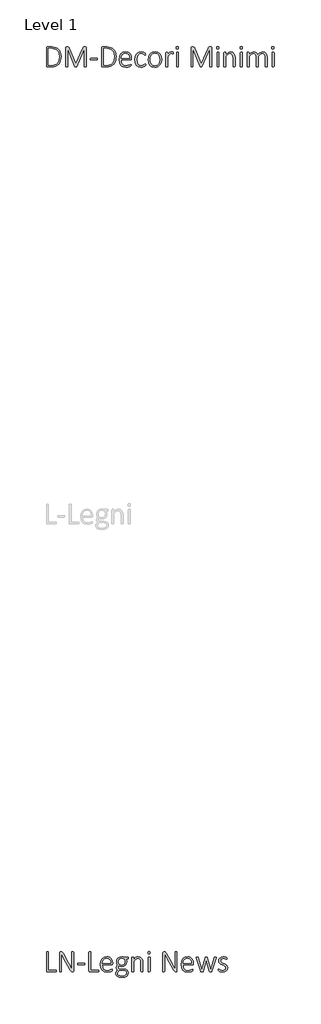
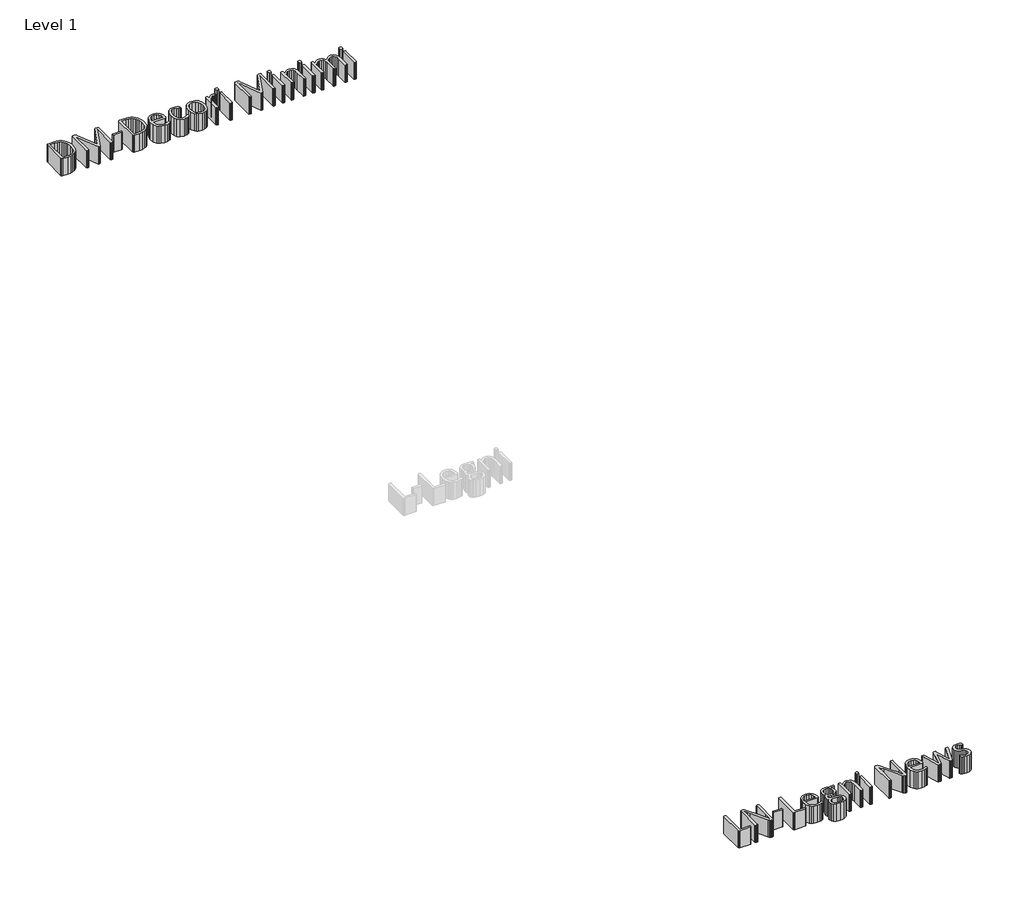
# One storey, part 2 of 4: 2 proxies.
"""IFC4 building model written with IfcOpenShell, lengths in millimetres."""

import ifcopenshell
import ifcopenshell.guid

model = None  # the IFC model being written
_history = None  # IfcOwnerHistory: only IFC2X3 demands one
_inside = {}  # id of a spatial element -> (the spatial element, [elements in it])
_under = {}  # id of a project, library or spatial element -> (it, [spatial elements below it])
_declared = {}  # id of a project -> (the project, [libraries it declares])
_typed = {}  # id of a type object -> (the type object, [elements of that type])
_made_of = {}  # id of a material, layer set ... -> (it, [elements and type objects made of it])


def new_model(schema):
    """Start an empty IFC model of exactly this schema.

    Asked for "IFC4X3", IfcOpenShell would pick the latest addendum, in which some entities
    have other attributes; the version numbers below select the first issue.
    IFC2X3 requires an IfcOwnerHistory on every rooted entity: one is made here for all.
    """
    global model, _history
    if schema == "IFC4X3":
        model = ifcopenshell.file(schema_version=(4, 3, 0, 0))
    else:
        model = ifcopenshell.file(schema=schema)
    _inside.clear()
    _under.clear()
    _declared.clear()
    _typed.clear()
    _made_of.clear()
    _history = None
    if model.schema == "IFC2X3":
        org = make("IfcOrganization", Name="unknown")
        user = make(
            "IfcPersonAndOrganization",
            ThePerson=make("IfcPerson", FamilyName="unknown"),
            TheOrganization=org,
        )
        app = make(
            "IfcApplication",
            ApplicationDeveloper=org,
            Version="unknown",
            ApplicationFullName="unknown",
            ApplicationIdentifier="unknown",
        )
        _history = make(
            "IfcOwnerHistory",
            OwningUser=user,
            OwningApplication=app,
            ChangeAction="ADDED",
            CreationDate=0,
        )
    return model


def make(cls, **values):
    """One entity of the class cls with the attributes given. An attribute that is None is left unset."""
    return model.create_entity(
        cls, **{name: value for name, value in values.items() if value is not None}
    )


def rooted(cls, **values):
    """An entity with a GlobalId (a new one), such as an element, a storey or a relation."""
    return make(cls, GlobalId=ifcopenshell.guid.new(), OwnerHistory=_history, **values)


def si_unit(unit_type, name, prefix=None):
    """IfcSIUnit, for example si_unit("LENGTHUNIT", "METRE", prefix="MILLI")."""
    return make("IfcSIUnit", UnitType=unit_type, Prefix=prefix, Name=name)


def assignment(units):
    """IfcUnitAssignment: the units of a project."""
    return None if units is None else make("IfcUnitAssignment", Units=units)


def point(xyz):
    """IfcCartesianPoint."""
    return None if xyz is None else make("IfcCartesianPoint", Coordinates=xyz)


def direction(xyz):
    """IfcDirection."""
    return None if xyz is None else make("IfcDirection", DirectionRatios=xyz)


def frame(location, z_axis=None, x_axis=None):
    """IfcAxis2Placement3D, a coordinate frame: its origin and axes. An axis left out is left unset."""
    return make(
        "IfcAxis2Placement3D",
        Location=point(location),
        Axis=direction(z_axis),
        RefDirection=direction(x_axis),
    )


def origin():
    """The frame at (0, 0, 0) with its axes left unset."""
    return frame((0.0, 0.0, 0.0))


def origin_with_axes():
    """The frame at (0, 0, 0) with the z axis (0, 0, 1) and the x axis (1, 0, 0) written out."""
    return frame((0.0, 0.0, 0.0), z_axis=(0.0, 0.0, 1.0), x_axis=(1.0, 0.0, 0.0))


def place(relative_to, where):
    """IfcLocalPlacement: puts the frame where relative to a parent placement (None: the world)."""
    return make(
        "IfcLocalPlacement", PlacementRelTo=relative_to, RelativePlacement=where
    )


def context(
    kind, dimensions, precision=None, world=None, true_north=None, identifier=None
):
    """IfcGeometricRepresentationContext, for example the 3D "Model" context."""
    return make(
        "IfcGeometricRepresentationContext",
        ContextIdentifier=identifier,
        ContextType=kind,
        CoordinateSpaceDimension=dimensions,
        Precision=precision,
        WorldCoordinateSystem=world,
        TrueNorth=true_north,
    )


def project(units=None, contexts=None):
    """IfcProject with its units and contexts."""
    return rooted(
        "IfcProject",
        Name="project",
        RepresentationContexts=contexts,
        UnitsInContext=assignment(units),
    )


def spatial(cls, under=None, at=None, **own):
    """A site, building, storey or space (cls), placed at a placement, below another one or the project."""
    s = rooted(cls, ObjectPlacement=at, **own)
    if under is not None:
        _under.setdefault(under.id(), (under, []))[1].append(s)
    return s


def polyline(points):
    """IfcPolyline through the points."""
    return make("IfcPolyline", Points=[point(p) for p in points])


def outline(outer, holes=None, kind="AREA"):
    """IfcArbitraryClosedProfileDef: a profile drawn as a closed curve; with holes, ...WithVoids."""
    if holes is None:
        return make("IfcArbitraryClosedProfileDef", ProfileType=kind, OuterCurve=outer)
    return make(
        "IfcArbitraryProfileDefWithVoids",
        ProfileType=kind,
        OuterCurve=outer,
        InnerCurves=holes,
    )


def extrude(swept, where, along, depth):
    """IfcExtrudedAreaSolid: the profile swept, set in the frame where, extruded along a direction by depth."""
    return make(
        "IfcExtrudedAreaSolid",
        SweptArea=swept,
        Position=where,
        ExtrudedDirection=direction(along),
        Depth=depth,
    )


def shape(context_of_items, identifier, shape_type, items):
    """IfcShapeRepresentation: the items that make up one representation, for example the "Body"."""
    return make(
        "IfcShapeRepresentation",
        ContextOfItems=context_of_items,
        RepresentationIdentifier=identifier,
        RepresentationType=shape_type,
        Items=items,
    )


def made_of(thing, what):
    """Note that an element or type object is made of a material, layer set ...; save() writes the relation."""
    if what is not None:
        _made_of.setdefault(what.id(), (what, []))[1].append(thing)
    return thing


def element(
    cls,
    number,
    at=None,
    inside=None,
    cuts=None,
    type_object=None,
    material=None,
    context=None,
    identifier="Body",
    shape_type=None,
    held_by="IfcProductDefinitionShape",
    body=None,
    shapes=None,
    **own,
):
    """One element of the class cls, such as IfcWall. Its Tag is "e" and its number.

    at: its placement. inside: the storey or other place that contains it. cuts: it is an
    opening in that element (IfcRelVoidsElement). A single representation is given by context,
    identifier, shape_type and body (its items); several are given by shapes. held_by: the class
    of the entity that holds the representations. save() writes the other relations.
    """
    e = rooted(cls, Tag="e%d" % number, ObjectPlacement=at, **own)
    if body is not None:
        shapes = [shape(context, identifier, shape_type, body)]
    if shapes is not None:
        e.Representation = make(held_by, Representations=shapes)
    if inside is not None:
        _inside.setdefault(inside.id(), (inside, []))[1].append(e)
    if cuts is not None:
        rooted(
            "IfcRelVoidsElement", RelatingBuildingElement=cuts, RelatedOpeningElement=e
        )
    if type_object is not None:
        _typed.setdefault(type_object.id(), (type_object, []))[1].append(e)
    return made_of(e, material)


def aggregate(whole, parts):
    """IfcRelAggregates: a whole, such as a stair, and the parts it consists of."""
    return rooted("IfcRelAggregates", RelatingObject=whole, RelatedObjects=parts)


def save(model, path):
    """Write the relations noted so far, then the file.

    IfcRelAggregates (storeys below a building ...), IfcRelContainedInSpatialStructure (elements
    in a storey), IfcRelDefinesByType, IfcRelAssociatesMaterial and IfcRelDeclares: one each for
    every whole, place, type object, material and project.
    """
    for whole, parts in _under.values():
        aggregate(whole, parts)
    for where, things in _inside.values():
        rooted(
            "IfcRelContainedInSpatialStructure",
            RelatedElements=things,
            RelatingStructure=where,
        )
    for kind, things in _typed.values():
        rooted("IfcRelDefinesByType", RelatedObjects=things, RelatingType=kind)
    for what, things in _made_of.values():
        rooted("IfcRelAssociatesMaterial", RelatedObjects=things, RelatingMaterial=what)
    for by, libraries in _declared.values():
        rooted("IfcRelDeclares", RelatingContext=by, RelatedDefinitions=libraries)
    model.write(path)


model = new_model("IFC4")

# Units and contexts
model_context = context("Model", 3, world=origin())
ifc_project = project(units=[si_unit("LENGTHUNIT", "METRE", prefix="MILLI")], contexts=[model_context])

# Site, building, storey
site = spatial("IfcSite", under=ifc_project)
building = spatial("IfcBuilding", under=site)
storey = spatial("IfcBuildingStorey", under=building, Name="Level 1", Elevation=0.0)

# Proxies
placement = place(None, origin())
element("IfcBuildingElementProxy", 1, Name="Generic Models", at=placement, inside=storey, context=model_context, shape_type="SweptSolid", body=[
    extrude(outline(polyline([(-8514.7772303, -20140.0326895), (-8516.4581985, -20165.2872361), (-8521.5011032, -20187.3879661), (-8529.8178937, -20206.2388242), (-8541.3205192, -20221.7437551), (-8555.9529475, -20233.8867494), (-8573.6591463, -20242.6517981), (-8594.7673046, -20247.958855), (-8619.6056114, -20249.7278739), (-8661.3576606, -20249.7278739), (-8667.4091463, -20247.5186014), (-8670.5149352, -20239.3538985), (-8670.5149352, -20046.9870952), (-8667.4091463, -20038.8223924), (-8661.3576606, -20036.6131198), (-8616.7879885, -20036.6131198), (-8591.8776401, -20038.4621849), (-8571.1937262, -20044.0093801), (-8554.1278963, -20052.9585348), (-8540.0717999, -20065.0134784), (-8529.0654603, -20079.9740957), (-8521.1489004, -20097.6402715), (-8516.3701478, -20117.7478534), (-8514.7772303, -20140.0326895)]), holes=[polyline([(-8535.2690335, -20140.9932428), (-8539.9437262, -20105.8690112), (-8545.8991565, -20090.8123386), (-8554.4160622, -20077.9809477), (-8565.502448, -20067.5349308), (-8579.1663184, -20059.6343801), (-8596.176116, -20054.6635169), (-8617.3002835, -20053.0065624), (-8650.0231319, -20053.0065624), (-8650.0231319, -20233.3344313), (-8617.1722098, -20233.3344313), (-8597.1286647, -20231.9736475), (-8580.4150376, -20227.8912961), (-8566.6230935, -20220.9593032), (-8555.3445971, -20211.0495952), (-8546.5715438, -20198.1621721), (-8540.295929, -20182.2970338), (-8535.2690335, -20140.9932428)])]), origin_with_axes(), (0.0, 0.0, 1.0), 150.0),
    extrude(outline(polyline([(-8244.285427, -20245.4374026), (-8244.7977221, -20247.2624538), (-8246.5587364, -20248.57521), (-8249.7285622, -20249.4076895), (-8254.7234393, -20249.7278739), (-8259.4301504, -20249.4076895), (-8262.5999762, -20248.57521), (-8264.2649352, -20247.2624538), (-8264.7772303, -20245.4374026), (-8264.7772303, -20054.1592264), (-8348.7936237, -20246.5900665), (-8351.5792282, -20248.7993391), (-8354.2687774, -20249.4717264), (-8357.9508983, -20249.7278739), (-8361.9211852, -20249.4717264), (-8364.6427528, -20248.7993391), (-8366.3397303, -20247.8067674), (-8444.9129885, -20054.1592264), (-8444.9129885, -20245.4374026), (-8445.6173942, -20247.2624538), (-8447.3784085, -20248.57521), (-8450.5482344, -20249.4076895), (-8455.6711852, -20249.7278739), (-8460.4739516, -20249.4076895), (-8463.5797405, -20248.57521), (-8465.1806626, -20247.2624538), (-8465.5969024, -20245.4374026), (-8465.5969024, -20046.9230583), (-8462.459095, -20038.8223924), (-8456.311554, -20036.6131198), (-8445.3612467, -20036.6131198), (-8438.0610417, -20037.5096362), (-8432.5218512, -20040.1351485), (-8428.455509, -20044.2975461), (-8425.4457754, -20049.8687551), (-8356.990345, -20218.413837), (-8282.9637057, -20050.5731608), (-8279.3776401, -20043.9133247), (-8275.4073532, -20039.590835), (-8270.9247713, -20037.2855071), (-8265.6737467, -20036.6131198), (-8253.5707754, -20036.6131198), (-8250.432968, -20037.0933965), (-8247.4552528, -20038.8223924), (-8245.2139618, -20042.0242366), (-8244.285427, -20046.9230583), (-8244.285427, -20245.4374026)])), origin_with_axes(), (0.0, 0.0, 1.0), 150.0),
    extrude(outline(polyline([(-8125.432968, -20167.7606608), (-8126.7457241, -20174.2283862), (-8130.1716975, -20175.9573821), (-8198.4350172, -20175.9573821), (-8201.9250274, -20174.1643493), (-8203.3018204, -20167.7606608), (-8201.9250274, -20161.3569723), (-8198.4350172, -20159.5639395), (-8130.1716975, -20159.5639395), (-8128.3146278, -20159.9801792), (-8126.7457241, -20161.3889907), (-8125.7531524, -20163.9184477), (-8125.432968, -20167.7606608)])), origin_with_axes(), (0.0, 0.0, 1.0), 150.0),
    extrude(outline(polyline([(-7924.6132958, -20140.0326895), (-7926.2942641, -20165.2872361), (-7931.3371688, -20187.3879661), (-7939.6539593, -20206.2388242), (-7951.1565848, -20221.7437551), (-7965.7890131, -20233.8867494), (-7983.4952118, -20242.6517981), (-8004.6033701, -20247.958855), (-8029.441677, -20249.7278739), (-8071.1937262, -20249.7278739), (-8077.2452118, -20247.5186014), (-8080.3510008, -20239.3538985), (-8080.3510008, -20046.9870952), (-8077.2452118, -20038.8223924), (-8071.1937262, -20036.6131198), (-8026.624054, -20036.6131198), (-8001.7137057, -20038.4621849), (-7981.0297917, -20044.0093801), (-7963.9639618, -20052.9585348), (-7949.9078655, -20065.0134784), (-7938.9015259, -20079.9740957), (-7930.9849659, -20097.6402715), (-7926.2062134, -20117.7478534), (-7924.6132958, -20140.0326895)]), holes=[polyline([(-7945.1050991, -20140.9932428), (-7949.7797917, -20105.8690112), (-7955.7352221, -20090.8123386), (-7964.2521278, -20077.9809477), (-7975.3385136, -20067.5349308), (-7989.002384, -20059.6343801), (-8006.0121816, -20054.6635169), (-8027.1363491, -20053.0065624), (-8059.8591975, -20053.0065624), (-8059.8591975, -20233.3344313), (-8027.0082754, -20233.3344313), (-8006.9647303, -20231.9736475), (-7990.2511032, -20227.8912961), (-7976.4591591, -20220.9593032), (-7965.1806626, -20211.0495952), (-7956.4076094, -20198.1621721), (-7950.1319946, -20182.2970338), (-7945.1050991, -20140.9932428)])]), origin_with_axes(), (0.0, 0.0, 1.0), 150.0),
    extrude(outline(polyline([(-7760.6788696, -20165.2632223), (-7763.816677, -20173.6520542), (-7769.9001811, -20175.9573821), (-7871.3346073, -20175.9573821), (-7868.5810213, -20201.2839702), (-7859.4877835, -20220.6871465), (-7842.9662672, -20233.1103022), (-7817.8638081, -20237.432792), (-7799.0049454, -20235.5437038), (-7784.5646278, -20231.285251), (-7774.5428553, -20227.0267981), (-7768.9396278, -20225.13771), (-7767.1145766, -20225.6179866), (-7765.769802, -20227.090835), (-7765.0333778, -20229.6523104), (-7764.7772303, -20233.5905788), (-7764.9373225, -20235.6717776), (-7765.3535622, -20237.5288473), (-7766.0899864, -20239.1938063), (-7767.4027426, -20240.76271), (-7772.5577118, -20243.7404251), (-7783.8602221, -20248.1269518), (-7800.0295356, -20252.0652202), (-7819.8489516, -20253.8262346), (-7850.6827118, -20248.5431915), (-7863.0258215, -20242.0114292), (-7873.2236954, -20232.9822284), (-7887.0876811, -20207.4635297), (-7891.8264106, -20172.115169), (-7886.9916258, -20137.5992879), (-7873.1596585, -20111.7283862), (-7851.4831729, -20095.4950358), (-7823.2429065, -20089.8918083), (-7807.7619895, -20091.3406429), (-7794.7464926, -20095.6871465), (-7775.3433163, -20111.2481096), (-7764.2008983, -20133.9491854), (-7760.6788696, -20161.1648616), (-7760.6788696, -20165.2632223)]), holes=[polyline([(-7781.1706729, -20159.5639395), (-7783.6200838, -20137.2150665), (-7791.9929065, -20120.3733657), (-7805.9049198, -20109.8072797), (-7824.9719024, -20106.285251), (-7844.5351708, -20110.7358145), (-7858.7833778, -20122.4865829), (-7867.7165233, -20139.4563575), (-7871.3346073, -20159.5639395), (-7781.1706729, -20159.5639395)])]), origin_with_axes(), (0.0, 0.0, 1.0), 150.0),
    extrude(outline(polyline([(-7609.0395254, -20226.0982633), (-7609.1996176, -20229.5562551), (-7609.6798942, -20232.2137858), (-7610.5764106, -20234.2309477), (-7613.2979782, -20237.2406813), (-7620.4380909, -20242.6197797), (-7631.6765643, -20248.3190624), (-7645.1563286, -20252.2893493), (-7660.0769229, -20253.8262346), (-7687.4206729, -20248.5431915), (-7707.3681626, -20232.9822284), (-7719.5992077, -20207.7196772), (-7723.7936237, -20173.1397592), (-7718.606636, -20135.2619415), (-7704.3904475, -20109.4870952), (-7683.3223122, -20094.6625563), (-7657.4514106, -20089.8918083), (-7643.3632958, -20091.3646567), (-7630.9721585, -20095.2388883), (-7620.8543307, -20100.7460604), (-7614.3545868, -20105.997085), (-7611.5689823, -20109.2629661), (-7610.4163184, -20111.6963678), (-7609.8399864, -20114.5780276), (-7609.6798942, -20118.2601485), (-7611.0887057, -20124.8879661), (-7614.0984393, -20126.7770542), (-7619.7657036, -20123.57521), (-7628.3786647, -20116.5311526), (-7641.0899864, -20109.4870952), (-7658.8602221, -20106.285251), (-7677.7430986, -20110.5517084), (-7691.7431626, -20123.3510809), (-7700.412156, -20144.2030916), (-7703.3018204, -20172.6274641), (-7700.1960315, -20201.0278227), (-7691.262886, -20221.3275153), (-7677.0787159, -20233.4304866), (-7658.2198532, -20237.432792), (-7640.8338389, -20234.2309477), (-7627.7382958, -20227.1868903), (-7618.4849659, -20220.1428329), (-7612.9457754, -20216.9409887), (-7611.2487979, -20217.5173206), (-7610.0320971, -20219.278335), (-7609.2956729, -20222.1599948), (-7609.0395254, -20226.0982633)])), origin_with_axes(), (0.0, 0.0, 1.0), 150.0),
    extrude(outline(polyline([(-7436.9083778, -20170.2580993), (-7441.551052, -20203.5892981), (-7455.3510008, -20230.0365317), (-7465.6449301, -20240.0342904), (-7478.2121688, -20247.5506198), (-7493.0367077, -20252.2573309), (-7510.1025376, -20253.8262346), (-7540.7762057, -20248.2230071), (-7552.8311493, -20241.4030788), (-7562.7408573, -20232.1497489), (-7575.9644741, -20206.7591239), (-7580.3510008, -20173.1397592), (-7575.8043819, -20139.776542), (-7562.1004885, -20113.4253637), (-7551.7985546, -20103.5396695), (-7539.207302, -20096.1033862), (-7524.3267308, -20091.4447028), (-7507.1568409, -20089.8918083), (-7476.4831729, -20095.4309989), (-7464.4442385, -20102.1948949), (-7454.5825581, -20111.4082018), (-7441.3589413, -20136.7668083), (-7436.9083778, -20170.2580993)]), holes=[polyline([(-7457.4001811, -20172.3072797), (-7459.8976196, -20147.2368391), (-7468.2224147, -20126.1687038), (-7483.8474147, -20111.6643493), (-7508.3095049, -20106.285251), (-7531.5869126, -20111.2160911), (-7547.6281524, -20124.952003), (-7556.8494639, -20145.6999538), (-7559.8591975, -20171.4107633), (-7557.361759, -20196.7693698), (-7549.0369639, -20217.8375051), (-7533.4119639, -20232.1497489), (-7508.9498737, -20237.432792), (-7485.6724659, -20232.5019518), (-7469.6312262, -20218.8620952), (-7460.4099147, -20198.2101997), (-7457.4001811, -20172.3072797)])]), origin_with_axes(), (0.0, 0.0, 1.0), 150.0),
    extrude(outline(polyline([(-7309.8591975, -20102.1228534), (-7310.0192897, -20105.997085), (-7310.5956217, -20108.6866342), (-7311.5561749, -20110.3195747), (-7313.0610417, -20110.8959067), (-7316.4549967, -20110.1594825), (-7320.9375786, -20108.5905788), (-7326.5408061, -20107.0216751), (-7333.2966975, -20106.285251), (-7341.8136032, -20108.3664497), (-7350.5546381, -20115.0583042), (-7360.1921893, -20127.2893493), (-7371.3346073, -20145.9240829), (-7371.3346073, -20245.5014395), (-7371.8469024, -20247.2944723), (-7373.479843, -20248.6072284), (-7376.5856319, -20249.4076895), (-7381.6445458, -20249.7278739), (-7386.575386, -20249.4076895), (-7389.7772303, -20248.6072284), (-7391.4101708, -20247.2944723), (-7391.8264106, -20245.5014395), (-7391.8264106, -20098.2166034), (-7391.4101708, -20096.4235706), (-7389.7772303, -20095.0467776), (-7386.7354782, -20094.2463165), (-7382.0287672, -20093.990169), (-7377.1939823, -20094.2463165), (-7374.2482856, -20095.0467776), (-7372.7754372, -20096.4235706), (-7372.3591975, -20098.2166034), (-7372.3591975, -20121.4619928), (-7360.8005397, -20105.3246977), (-7350.6827118, -20095.7511833), (-7341.2692897, -20091.1085092), (-7331.887886, -20089.8918083), (-7327.0531012, -20090.1159374), (-7321.1937262, -20090.9163985), (-7315.5584803, -20092.32521), (-7312.1004885, -20093.7980583), (-7310.8197508, -20094.9827407), (-7309.9552528, -20098.5367879), (-7309.8591975, -20102.1228534)])), origin_with_axes(), (0.0, 0.0, 1.0), 150.0),
    extrude(outline(polyline([(-7256.580509, -20245.5014395), (-7257.092804, -20247.2944723), (-7258.7257446, -20248.6072284), (-7261.8315335, -20249.4076895), (-7266.8904475, -20249.7278739), (-7271.8212876, -20249.4076895), (-7275.0231319, -20248.6072284), (-7276.6560725, -20247.2944723), (-7277.0723122, -20245.5014395), (-7277.0723122, -20098.2166034), (-7276.6560725, -20096.4235706), (-7275.0231319, -20095.0467776), (-7271.8212876, -20094.2463165), (-7266.8904475, -20093.990169), (-7261.8315335, -20094.2463165), (-7258.7257446, -20095.0467776), (-7257.092804, -20096.4235706), (-7256.580509, -20098.2166034), (-7256.580509, -20245.5014395)])), origin_with_axes(), (0.0, 0.0, 1.0), 150.0),
    extrude(outline(polyline([(-7256.580509, -20046.7949846), (-7259.2700581, -20058.2255686), (-7269.0036647, -20061.2032838), (-7278.577179, -20058.2896055), (-7281.1706729, -20046.9230583), (-7278.4811237, -20035.4924743), (-7268.7475172, -20032.5147592), (-7259.1740028, -20035.4284374), (-7256.580509, -20046.7949846)])), origin_with_axes(), (0.0, 0.0, 1.0), 150.0),
    extrude(outline(polyline([(-6900.0231319, -20245.4374026), (-6900.535427, -20247.2624538), (-6902.2964413, -20248.57521), (-6905.4662672, -20249.4076895), (-6910.4611442, -20249.7278739), (-6915.1678553, -20249.4076895), (-6918.3376811, -20248.57521), (-6920.0026401, -20247.2624538), (-6920.5149352, -20245.4374026), (-6920.5149352, -20054.1592264), (-7004.5313286, -20246.5900665), (-7007.3169331, -20248.7993391), (-7010.0064823, -20249.4717264), (-7013.6886032, -20249.7278739), (-7017.6588901, -20249.4717264), (-7020.3804577, -20248.7993391), (-7022.0774352, -20247.8067674), (-7100.6506934, -20054.1592264), (-7100.6506934, -20245.4374026), (-7101.3550991, -20247.2624538), (-7103.1161135, -20248.57521), (-7106.2859393, -20249.4076895), (-7111.4088901, -20249.7278739), (-7116.2116565, -20249.4076895), (-7119.3174454, -20248.57521), (-7120.9183676, -20247.2624538), (-7121.3346073, -20245.4374026), (-7121.3346073, -20046.9230583), (-7118.1967999, -20038.8223924), (-7112.049259, -20036.6131198), (-7101.0989516, -20036.6131198), (-7093.7987467, -20037.5096362), (-7088.2595561, -20040.1351485), (-7084.1932139, -20044.2975461), (-7081.1834803, -20049.8687551), (-7012.7280499, -20218.413837), (-6938.7014106, -20050.5731608), (-6935.115345, -20043.9133247), (-6931.1450581, -20039.590835), (-6926.6624762, -20037.2855071), (-6921.4114516, -20036.6131198), (-6909.3084803, -20036.6131198), (-6906.1706729, -20037.0933965), (-6903.1929577, -20038.8223924), (-6900.9516667, -20042.0242366), (-6900.0231319, -20046.9230583), (-6900.0231319, -20245.4374026)])), origin_with_axes(), (0.0, 0.0, 1.0), 150.0),
    extrude(outline(polyline([(-6822.1542794, -20046.7949846), (-6824.8438286, -20058.2255686), (-6834.5774352, -20061.2032838), (-6844.1509495, -20058.2896055), (-6846.7444434, -20046.9230583), (-6844.0548942, -20035.4924743), (-6834.3212876, -20032.5147592), (-6824.7477733, -20035.4284374), (-6822.1542794, -20046.7949846)])), origin_with_axes(), (0.0, 0.0, 1.0), 150.0),
    extrude(outline(polyline([(-6822.1542794, -20245.5014395), (-6822.6665745, -20247.2944723), (-6824.2995151, -20248.6072284), (-6827.405304, -20249.4076895), (-6832.464218, -20249.7278739), (-6837.3950581, -20249.4076895), (-6840.5969024, -20248.6072284), (-6842.229843, -20247.2944723), (-6842.6460827, -20245.5014395), (-6842.6460827, -20098.2166034), (-6842.229843, -20096.4235706), (-6840.5969024, -20095.0467776), (-6837.3950581, -20094.2463165), (-6832.464218, -20093.990169), (-6827.405304, -20094.2463165), (-6824.2995151, -20095.0467776), (-6822.6665745, -20096.4235706), (-6822.1542794, -20098.2166034), (-6822.1542794, -20245.5014395)])), origin_with_axes(), (0.0, 0.0, 1.0), 150.0),
    extrude(outline(polyline([(-6650.0231319, -20245.4374026), (-6650.535427, -20247.2304354), (-6652.1683676, -20248.57521), (-6655.2741565, -20249.4076895), (-6660.2049967, -20249.7278739), (-6665.2639106, -20249.4076895), (-6668.3696995, -20248.57521), (-6670.0026401, -20247.2304354), (-6670.5149352, -20245.4374026), (-6670.5149352, -20156.6822797), (-6672.5641155, -20134.1092776), (-6678.6796381, -20119.2527202), (-6689.1176504, -20109.6792059), (-6703.9421893, -20106.285251), (-6714.7724275, -20108.3104175), (-6725.6186749, -20114.385917), (-6748.3837876, -20138.1756198), (-6748.3837876, -20245.4374026), (-6748.8960827, -20247.2304354), (-6750.5290233, -20248.57521), (-6753.6348122, -20249.4076895), (-6758.6937262, -20249.7278739), (-6763.6245663, -20249.4076895), (-6766.8264106, -20248.6072284), (-6768.4593512, -20247.2944723), (-6768.8755909, -20245.5014395), (-6768.8755909, -20098.2166034), (-6768.4593512, -20096.4235706), (-6766.8264106, -20095.0467776), (-6763.7846585, -20094.2463165), (-6759.0779475, -20093.990169), (-6754.2431626, -20094.2463165), (-6751.2974659, -20095.0467776), (-6749.8246176, -20096.4235706), (-6749.4083778, -20098.2166034), (-6749.4083778, -20119.0285911), (-6724.9142692, -20096.7757735), (-6712.9473763, -20091.6127996), (-6701.0605294, -20089.8918083), (-6677.0787159, -20094.854667), (-6661.2936237, -20108.238376), (-6652.6486442, -20127.8656813), (-6650.0231319, -20154.9532838), (-6650.0231319, -20245.4374026)])), origin_with_axes(), (0.0, 0.0, 1.0), 150.0),
    extrude(outline(polyline([(-6572.1542794, -20046.7949846), (-6574.8438286, -20058.2255686), (-6584.5774352, -20061.2032838), (-6594.1509495, -20058.2896055), (-6596.7444434, -20046.9230583), (-6594.0548942, -20035.4924743), (-6584.3212876, -20032.5147592), (-6574.7477733, -20035.4284374), (-6572.1542794, -20046.7949846)])), origin_with_axes(), (0.0, 0.0, 1.0), 150.0),
    extrude(outline(polyline([(-6572.1542794, -20245.5014395), (-6572.6665745, -20247.2944723), (-6574.2995151, -20248.6072284), (-6577.405304, -20249.4076895), (-6582.464218, -20249.7278739), (-6587.3950581, -20249.4076895), (-6590.5969024, -20248.6072284), (-6592.229843, -20247.2944723), (-6592.6460827, -20245.5014395), (-6592.6460827, -20098.2166034), (-6592.229843, -20096.4235706), (-6590.5969024, -20095.0467776), (-6587.3950581, -20094.2463165), (-6582.464218, -20093.990169), (-6577.405304, -20094.2463165), (-6574.2995151, -20095.0467776), (-6572.6665745, -20096.4235706), (-6572.1542794, -20098.2166034), (-6572.1542794, -20245.5014395)])), origin_with_axes(), (0.0, 0.0, 1.0), 150.0),
    extrude(outline(polyline([(-6305.7608368, -20245.4374026), (-6306.2731319, -20247.2304354), (-6307.9060725, -20248.57521), (-6311.0118614, -20249.4076895), (-6315.9427016, -20249.7278739), (-6321.0016155, -20249.4076895), (-6324.2034598, -20248.57521), (-6325.8364004, -20247.2304354), (-6326.2526401, -20245.4374026), (-6326.2526401, -20153.3523616), (-6328.0776913, -20134.1092776), (-6333.7769741, -20119.2527202), (-6343.5746176, -20109.6792059), (-6357.5026401, -20106.285251), (-6367.5404219, -20108.3104175), (-6377.674259, -20114.385917), (-6400.0231319, -20138.1756198), (-6400.0231319, -20245.4374026), (-6400.535427, -20247.2304354), (-6402.200386, -20248.57521), (-6405.3381934, -20249.4076895), (-6410.2690335, -20249.7278739), (-6415.1998737, -20249.4076895), (-6418.401718, -20248.57521), (-6420.066677, -20247.2304354), (-6420.5149352, -20245.4374026), (-6420.5149352, -20153.3523616), (-6422.5000786, -20134.1092776), (-6428.5835827, -20119.2527202), (-6438.9255397, -20109.6792059), (-6453.6860417, -20106.285251), (-6464.2521278, -20108.3104175), (-6474.9462876, -20114.385917), (-6498.3837876, -20138.1756198), (-6498.3837876, -20245.4374026), (-6498.8960827, -20247.2304354), (-6500.5290233, -20248.57521), (-6503.6348122, -20249.4076895), (-6508.6937262, -20249.7278739), (-6513.6245663, -20249.4076895), (-6516.8264106, -20248.6072284), (-6518.4593512, -20247.2944723), (-6518.8755909, -20245.5014395), (-6518.8755909, -20098.2166034), (-6518.4593512, -20096.4235706), (-6516.8264106, -20095.0467776), (-6513.7846585, -20094.2463165), (-6509.0779475, -20093.990169), (-6504.2431626, -20094.2463165), (-6501.2974659, -20095.0467776), (-6499.8246176, -20096.4235706), (-6499.4083778, -20098.2166034), (-6499.4083778, -20119.0285911), (-6474.5300479, -20096.7757735), (-6462.8193025, -20091.6127996), (-6451.1886032, -20089.8918083), (-6434.1868102, -20092.2611731), (-6420.9952118, -20098.9210092), (-6411.2295868, -20109.1669108), (-6404.6978245, -20122.2944723), (-6390.4175991, -20106.9896567), (-6377.6422405, -20096.9999026), (-6365.955509, -20091.5567674), (-6354.8130909, -20089.8918083), (-6331.6637569, -20094.854667), (-6316.4870151, -20108.238376), (-6308.2582754, -20127.8656813), (-6305.7608368, -20151.6233657), (-6305.7608368, -20245.4374026)])), origin_with_axes(), (0.0, 0.0, 1.0), 150.0),
    extrude(outline(polyline([(-6231.990345, -20046.7949846), (-6234.6798942, -20058.2255686), (-6244.4135008, -20061.2032838), (-6253.9870151, -20058.2896055), (-6256.580509, -20046.9230583), (-6253.8909598, -20035.4924743), (-6244.1573532, -20032.5147592), (-6234.5838389, -20035.4284374), (-6231.990345, -20046.7949846)])), origin_with_axes(), (0.0, 0.0, 1.0), 150.0),
    extrude(outline(polyline([(-6231.990345, -20245.5014395), (-6232.5026401, -20247.2944723), (-6234.1355807, -20248.6072284), (-6237.2413696, -20249.4076895), (-6242.3002835, -20249.7278739), (-6247.2311237, -20249.4076895), (-6250.432968, -20248.6072284), (-6252.0659085, -20247.2944723), (-6252.4821483, -20245.5014395), (-6252.4821483, -20098.2166034), (-6252.0659085, -20096.4235706), (-6250.432968, -20095.0467776), (-6247.2311237, -20094.2463165), (-6242.3002835, -20093.990169), (-6237.2413696, -20094.2463165), (-6234.1355807, -20095.0467776), (-6232.5026401, -20096.4235706), (-6231.990345, -20098.2166034), (-6231.990345, -20245.5014395)])), origin_with_axes(), (0.0, 0.0, 1.0), 150.0),
])
element("IfcBuildingElementProxy", 2, Name="Generic Models", at=placement, inside=storey, context=model_context, shape_type="SweptSolid", body=[
    extrude(outline(polyline([(-8563.9575581, -29941.4671157), (-8564.2777426, -29944.9891444), (-8565.2703143, -29947.5826383), (-8566.9352733, -29949.2155788), (-8569.2085827, -29949.7278739), (-8661.2936237, -29949.7278739), (-8667.4091463, -29947.5186014), (-8670.5149352, -29939.4179354), (-8670.5149352, -29740.9035911), (-8670.0026401, -29739.0785399), (-8668.3376811, -29737.7657838), (-8665.1678553, -29736.9333042), (-8660.2690335, -29736.6131198), (-8655.3061749, -29736.9333042), (-8652.200386, -29737.7657838), (-8650.535427, -29739.1105583), (-8650.0231319, -29740.9035911), (-8650.0231319, -29933.3344313), (-8569.2085827, -29933.3344313), (-8566.9032549, -29933.8467264), (-8565.2703143, -29935.3195747), (-8564.2777426, -29937.8490317), (-8563.9575581, -29941.4671157)])), origin_with_axes(), (0.0, 0.0, 1.0), 150.0),
    extrude(outline(polyline([(-8379.5313286, -29939.4179354), (-8380.4598635, -29944.3167571), (-8382.7972098, -29947.5186014), (-8385.9350172, -29949.2475973), (-8389.2008983, -29949.7278739), (-8393.299259, -29949.7278739), (-8399.3827631, -29948.8953944), (-8404.729843, -29945.9496977), (-8409.8848122, -29940.3144518), (-8415.5200581, -29931.4133247), (-8489.0344024, -29798.9210092), (-8500.1127835, -29779.0055379), (-8510.6788696, -29759.0900665), (-8510.6788696, -29783.6161936), (-8510.6788696, -29808.0782838), (-8510.6788696, -29945.4374026), (-8511.1911647, -29947.2624538), (-8512.8561237, -29948.57521), (-8515.9619126, -29949.4076895), (-8520.9247713, -29949.7278739), (-8525.823593, -29949.4076895), (-8528.9934188, -29948.57521), (-8530.6583778, -29947.2624538), (-8531.1706729, -29945.4374026), (-8531.1706729, -29746.9230583), (-8528.0008471, -29738.8223924), (-8521.8853245, -29736.6131198), (-8513.5605294, -29736.6131198), (-8506.8686749, -29737.2855071), (-8502.0659085, -29739.4947797), (-8497.8394741, -29743.9133247), (-8493.3248737, -29751.2135297), (-8437.1004885, -29852.7119928), (-8427.014679, -29870.9625051), (-8417.7293307, -29888.1564088), (-8408.7961852, -29904.7739805), (-8400.0231319, -29921.3595338), (-8400.0231319, -29892.7030276), (-8400.0231319, -29864.1105583), (-8400.0231319, -29740.8395542), (-8399.5108368, -29739.0785399), (-8397.8458778, -29737.7017469), (-8394.7400889, -29736.8692674), (-8389.7772303, -29736.6131198), (-8385.0705192, -29736.8692674), (-8381.8686749, -29737.7017469), (-8380.1076606, -29739.0785399), (-8379.5313286, -29740.9035911), (-8379.5313286, -29939.4179354)])), origin_with_axes(), (0.0, 0.0, 1.0), 150.0),
    extrude(outline(polyline([(-8260.6788696, -29867.7606608), (-8261.9916258, -29874.2283862), (-8265.4175991, -29875.9573821), (-8333.6809188, -29875.9573821), (-8337.170929, -29874.1643493), (-8338.5477221, -29867.7606608), (-8337.170929, -29861.3569723), (-8333.6809188, -29859.5639395), (-8265.4175991, -29859.5639395), (-8263.5605294, -29859.9801792), (-8261.9916258, -29861.3889907), (-8260.999054, -29863.9184477), (-8260.6788696, -29867.7606608)])), origin_with_axes(), (0.0, 0.0, 1.0), 150.0),
    extrude(outline(polyline([(-8109.0395254, -29941.4671157), (-8109.3597098, -29944.9891444), (-8110.3522815, -29947.5826383), (-8112.0172405, -29949.2155788), (-8114.2905499, -29949.7278739), (-8206.3755909, -29949.7278739), (-8212.4911135, -29947.5186014), (-8215.5969024, -29939.4179354), (-8215.5969024, -29740.9035911), (-8215.0846073, -29739.0785399), (-8213.4196483, -29737.7657838), (-8210.2498225, -29736.9333042), (-8205.3510008, -29736.6131198), (-8200.3881422, -29736.9333042), (-8197.2823532, -29737.7657838), (-8195.6173942, -29739.1105583), (-8195.1050991, -29740.9035911), (-8195.1050991, -29933.3344313), (-8114.2905499, -29933.3344313), (-8111.9852221, -29933.8467264), (-8110.3522815, -29935.3195747), (-8109.3597098, -29937.8490317), (-8109.0395254, -29941.4671157)])), origin_with_axes(), (0.0, 0.0, 1.0), 150.0),
    extrude(outline(polyline([(-7961.4985417, -29865.2632223), (-7964.6363491, -29873.6520542), (-7970.7198532, -29875.9573821), (-8072.1542794, -29875.9573821), (-8069.4006934, -29901.2839702), (-8060.3074557, -29920.6871465), (-8043.7859393, -29933.1103022), (-8018.6834803, -29937.432792), (-7999.8246176, -29935.5437038), (-7985.3842999, -29931.285251), (-7975.3625274, -29927.0267981), (-7969.7592999, -29925.13771), (-7967.9342487, -29925.6179866), (-7966.5894741, -29927.090835), (-7965.8530499, -29929.6523104), (-7965.5969024, -29933.5905788), (-7965.7569946, -29935.6717776), (-7966.1732344, -29937.5288473), (-7966.9096585, -29939.1938063), (-7968.2224147, -29940.76271), (-7973.377384, -29943.7404251), (-7984.6798942, -29948.1269518), (-8000.8492077, -29952.0652202), (-8020.6686237, -29953.8262346), (-8051.502384, -29948.5431915), (-8063.8454936, -29942.0114292), (-8074.0433676, -29932.9822284), (-8087.9073532, -29907.4635297), (-8092.6460827, -29872.115169), (-8087.8112979, -29837.5992879), (-8073.9793307, -29811.7283862), (-8052.302845, -29795.4950358), (-8024.0625786, -29789.8918083), (-8008.5816616, -29791.3406429), (-7995.5661647, -29795.6871465), (-7976.1629885, -29811.2481096), (-7965.0205704, -29833.9491854), (-7961.4985417, -29861.1648616), (-7961.4985417, -29865.2632223)]), holes=[polyline([(-7981.990345, -29859.5639395), (-7984.4397559, -29837.2150665), (-7992.8125786, -29820.3733657), (-8006.7245919, -29809.8072797), (-8025.7915745, -29806.285251), (-8045.354843, -29810.7358145), (-8059.6030499, -29822.4865829), (-8068.5361954, -29839.4563575), (-8072.1542794, -29859.5639395), (-7981.990345, -29859.5639395)])]), origin_with_axes(), (0.0, 0.0, 1.0), 150.0),
    extrude(outline(polyline([(-7793.4657549, -29802.2509272), (-7794.9386032, -29808.5905788), (-7798.7167794, -29810.3836116), (-7822.2183163, -29810.3836116), (-7812.5807651, -29825.4322797), (-7809.8591975, -29842.5941649), (-7813.8935213, -29865.3592776), (-7825.3241053, -29882.2329969), (-7842.9342487, -29892.7990829), (-7865.4432139, -29896.4491854), (-7884.5262057, -29893.6315624), (-7898.6783573, -29886.651542), (-7902.5846073, -29894.6241342), (-7904.1214926, -29905.030128), (-7898.1660622, -29916.2045645), (-7882.7331729, -29921.0393493), (-7842.6460827, -29922.7043083), (-7823.6271278, -29925.4899129), (-7808.0341463, -29932.8221362), (-7797.4040233, -29944.7650153), (-7793.4657549, -29961.4466239), (-7797.5320971, -29980.3695235), (-7810.115345, -29996.2826895), (-7831.9199044, -30007.16896), (-7863.5861442, -30011.2032838), (-7893.4913696, -30008.1295133), (-7913.7270254, -29999.6126075), (-7925.1576094, -29986.8372489), (-7928.7116565, -29970.9881198), (-7927.3989004, -29960.005794), (-7923.3645766, -29950.1761321), (-7916.6407036, -29941.1469313), (-7907.3873737, -29932.3098411), (-7920.4508983, -29921.7437551), (-7924.6132958, -29908.4881198), (-7920.4829167, -29890.1415522), (-7910.4611442, -29875.8293083), (-7917.8894229, -29862.0293596), (-7920.5149352, -29844.0670133), (-7916.4165745, -29821.3979559), (-7904.9859905, -29804.3641444), (-7887.4719024, -29793.6379661), (-7865.1230294, -29789.8918083), (-7853.0520766, -29791.0444723), (-7842.5820458, -29793.990169), (-7798.7167794, -29793.990169), (-7794.6824557, -29796.1033862), (-7793.4657549, -29802.2509272)]), holes=[polyline([(-7830.3510008, -29842.9143493), (-7832.648324, -29827.5695107), (-7839.5402938, -29815.9868391), (-7850.6747072, -29808.710648), (-7865.6993614, -29806.285251), (-7880.8120663, -29809.2949846), (-7891.5702631, -29817.4917059), (-7897.9099147, -29829.5306403), (-7900.0231319, -29844.0670133), (-7897.7258086, -29859.0516444), (-7890.8338389, -29870.45021), (-7879.7794716, -29877.6543596), (-7864.9949557, -29880.0557428), (-7849.6261032, -29877.0460092), (-7838.8038696, -29868.9453432), (-7832.464218, -29857.066501), (-7830.3510008, -29842.9143493)]), polyline([(-7813.9575581, -29962.2150665), (-7816.1348122, -29952.4414369), (-7822.6665745, -29945.2773104), (-7832.8644485, -29940.7707146), (-7846.0400376, -29938.9696772), (-7888.816677, -29937.432792), (-7898.4542282, -29946.3019006), (-7904.4096585, -29954.434585), (-7907.4193922, -29962.1190112), (-7908.2198532, -29969.7073821), (-7905.1861058, -29980.5696388), (-7896.0848635, -29988.4381711), (-7881.5725043, -29993.2169236), (-7862.3054065, -29994.8098411), (-7839.4442385, -29992.0562551), (-7824.5236442, -29984.7880686), (-7816.3909598, -29974.4140932), (-7813.9575581, -29962.2150665)])]), origin_with_axes(), (0.0, 0.0, 1.0), 150.0),
    extrude(outline(polyline([(-7637.7280499, -29945.4374026), (-7638.240345, -29947.2304354), (-7639.8732856, -29948.57521), (-7642.9790745, -29949.4076895), (-7647.9099147, -29949.7278739), (-7652.9688286, -29949.4076895), (-7656.0746176, -29948.57521), (-7657.7075581, -29947.2304354), (-7658.2198532, -29945.4374026), (-7658.2198532, -29856.6822797), (-7660.2690335, -29834.1092776), (-7666.3845561, -29819.2527202), (-7676.8225684, -29809.6792059), (-7691.6471073, -29806.285251), (-7702.4773455, -29808.3104175), (-7713.323593, -29814.385917), (-7736.0887057, -29838.1756198), (-7736.0887057, -29945.4374026), (-7736.6010008, -29947.2304354), (-7738.2339413, -29948.57521), (-7741.3397303, -29949.4076895), (-7746.3986442, -29949.7278739), (-7751.3294844, -29949.4076895), (-7754.5313286, -29948.6072284), (-7756.1642692, -29947.2944723), (-7756.580509, -29945.5014395), (-7756.580509, -29798.2166034), (-7756.1642692, -29796.4235706), (-7754.5313286, -29795.0467776), (-7751.4895766, -29794.2463165), (-7746.7828655, -29793.990169), (-7741.9480807, -29794.2463165), (-7739.002384, -29795.0467776), (-7737.5295356, -29796.4235706), (-7737.1132958, -29798.2166034), (-7737.1132958, -29819.0285911), (-7712.6191872, -29796.7757735), (-7700.6522943, -29791.6127996), (-7688.7654475, -29789.8918083), (-7664.783634, -29794.854667), (-7648.9985417, -29808.238376), (-7640.3535622, -29827.8656813), (-7637.7280499, -29854.9532838), (-7637.7280499, -29945.4374026)])), origin_with_axes(), (0.0, 0.0, 1.0), 150.0),
    extrude(outline(polyline([(-7559.8591975, -29945.5014395), (-7560.3714926, -29947.2944723), (-7562.0044331, -29948.6072284), (-7565.1102221, -29949.4076895), (-7570.169136, -29949.7278739), (-7575.0999762, -29949.4076895), (-7578.3018204, -29948.6072284), (-7579.934761, -29947.2944723), (-7580.3510008, -29945.5014395), (-7580.3510008, -29798.2166034), (-7579.934761, -29796.4235706), (-7578.3018204, -29795.0467776), (-7575.0999762, -29794.2463165), (-7570.169136, -29793.990169), (-7565.1102221, -29794.2463165), (-7562.0044331, -29795.0467776), (-7560.3714926, -29796.4235706), (-7559.8591975, -29798.2166034), (-7559.8591975, -29945.5014395)])), origin_with_axes(), (0.0, 0.0, 1.0), 150.0),
    extrude(outline(polyline([(-7559.8591975, -29746.7949846), (-7562.5487467, -29758.2255686), (-7572.2823532, -29761.2032838), (-7581.8558676, -29758.2896055), (-7584.4493614, -29746.9230583), (-7581.7598122, -29735.4924743), (-7572.0262057, -29732.5147592), (-7562.4526913, -29735.4284374), (-7559.8591975, -29746.7949846)])), origin_with_axes(), (0.0, 0.0, 1.0), 150.0),
    extrude(outline(polyline([(-7272.9739516, -29939.4179354), (-7273.9024864, -29944.3167571), (-7276.2398327, -29947.5186014), (-7279.3776401, -29949.2475973), (-7282.6435213, -29949.7278739), (-7286.7418819, -29949.7278739), (-7292.825386, -29948.8953944), (-7298.1724659, -29945.9496977), (-7303.3274352, -29940.3144518), (-7308.9626811, -29931.4133247), (-7382.4770254, -29798.9210092), (-7393.5554065, -29779.0055379), (-7404.1214926, -29759.0900665), (-7404.1214926, -29783.6161936), (-7404.1214926, -29808.0782838), (-7404.1214926, -29945.4374026), (-7404.6337876, -29947.2624538), (-7406.2987467, -29948.57521), (-7409.4045356, -29949.4076895), (-7414.3673942, -29949.7278739), (-7419.2662159, -29949.4076895), (-7422.4360417, -29948.57521), (-7424.1010008, -29947.2624538), (-7424.6132958, -29945.4374026), (-7424.6132958, -29746.9230583), (-7421.44347, -29738.8223924), (-7415.3279475, -29736.6131198), (-7407.0031524, -29736.6131198), (-7400.3112979, -29737.2855071), (-7395.5085315, -29739.4947797), (-7391.2820971, -29743.9133247), (-7386.7674967, -29751.2135297), (-7330.5431114, -29852.7119928), (-7320.457302, -29870.9625051), (-7311.1719536, -29888.1564088), (-7302.2388081, -29904.7739805), (-7293.4657549, -29921.3595338), (-7293.4657549, -29892.7030276), (-7293.4657549, -29864.1105583), (-7293.4657549, -29740.8395542), (-7292.9534598, -29739.0785399), (-7291.2885008, -29737.7017469), (-7288.1827118, -29736.8692674), (-7283.2198532, -29736.6131198), (-7278.5131422, -29736.8692674), (-7275.3112979, -29737.7017469), (-7273.5502835, -29739.0785399), (-7272.9739516, -29740.9035911), (-7272.9739516, -29939.4179354)])), origin_with_axes(), (0.0, 0.0, 1.0), 150.0),
    extrude(outline(polyline([(-7096.7444434, -29865.2632223), (-7099.8822508, -29873.6520542), (-7105.9657549, -29875.9573821), (-7207.4001811, -29875.9573821), (-7204.646595, -29901.2839702), (-7195.5533573, -29920.6871465), (-7179.0318409, -29933.1103022), (-7153.9293819, -29937.432792), (-7135.0705192, -29935.5437038), (-7120.6302016, -29931.285251), (-7110.608429, -29927.0267981), (-7105.0052016, -29925.13771), (-7103.1801504, -29925.6179866), (-7101.8353758, -29927.090835), (-7101.0989516, -29929.6523104), (-7100.842804, -29933.5905788), (-7101.0028963, -29935.6717776), (-7101.419136, -29937.5288473), (-7102.1555602, -29939.1938063), (-7103.4683163, -29940.76271), (-7108.6232856, -29943.7404251), (-7119.9257958, -29948.1269518), (-7136.0951094, -29952.0652202), (-7155.9145254, -29953.8262346), (-7186.7482856, -29948.5431915), (-7199.0913952, -29942.0114292), (-7209.2892692, -29932.9822284), (-7223.1532549, -29907.4635297), (-7227.8919844, -29872.115169), (-7223.0571995, -29837.5992879), (-7209.2252323, -29811.7283862), (-7187.5487467, -29795.4950358), (-7159.3084803, -29789.8918083), (-7143.8275633, -29791.3406429), (-7130.8120663, -29795.6871465), (-7111.4088901, -29811.2481096), (-7100.2664721, -29833.9491854), (-7096.7444434, -29861.1648616), (-7096.7444434, -29865.2632223)]), holes=[polyline([(-7117.2362467, -29859.5639395), (-7119.6856575, -29837.2150665), (-7128.0584803, -29820.3733657), (-7141.9704936, -29809.8072797), (-7161.0374762, -29806.285251), (-7180.6007446, -29810.7358145), (-7194.8489516, -29822.4865829), (-7203.7820971, -29839.4563575), (-7207.4001811, -29859.5639395), (-7117.2362467, -29859.5639395)])]), origin_with_axes(), (0.0, 0.0, 1.0), 150.0),
    extrude(outline(polyline([(-6850.0103245, -29797.896419), (-6850.2664721, -29799.7855071), (-6850.842804, -29802.1228534), (-6897.8458778, -29945.5014395), (-6899.0945971, -29947.6146567), (-6901.4959803, -29948.9274129), (-6905.3702118, -29949.5677817), (-6911.1015131, -29949.7278739), (-6917.0249249, -29949.4717264), (-6921.0592487, -29948.7353022), (-6923.5566872, -29947.4545645), (-6924.8054065, -29945.5014395), (-6959.129177, -29829.2744928), (-6991.5318409, -29945.5014395), (-6992.8445971, -29947.6146567), (-6995.5341463, -29948.9274129), (-6999.6965438, -29949.5677817), (-7005.2357344, -29949.7278739), (-7010.8069434, -29949.4717264), (-7014.6491565, -29948.7353022), (-7017.0185213, -29947.4545645), (-7018.1711852, -29945.5014395), (-7063.9575581, -29802.1228534), (-7064.7260008, -29799.849544), (-7064.9821483, -29797.896419), (-7064.4698532, -29795.943294), (-7062.7728758, -29794.7265932), (-7059.6991053, -29794.1502612), (-7055.0564311, -29793.990169), (-7049.261093, -29794.2463165), (-7045.9311749, -29794.9827407), (-7044.2982344, -29796.2634784), (-7043.4657549, -29798.2166034), (-7004.8515131, -29926.7386321), (-6968.9908573, -29798.2166034), (-6968.0943409, -29796.2634784), (-6966.4614004, -29794.9827407), (-6963.5477221, -29794.2463165), (-6958.7449557, -29793.990169), (-6954.1983368, -29794.2463165), (-6951.2526401, -29794.9827407), (-6949.6196995, -29796.2634784), (-6948.8192385, -29798.2166034), (-6910.589218, -29926.7386321), (-6871.3346073, -29798.2166034), (-6870.3420356, -29796.2634784), (-6868.4849659, -29794.9827407), (-6864.9949557, -29794.2463165), (-6859.231636, -29793.990169), (-6854.5889618, -29794.1502612), (-6851.7713389, -29794.7906301), (-6850.3625274, -29796.0073309), (-6850.0103245, -29797.896419)])), origin_with_axes(), (0.0, 0.0, 1.0), 150.0),
    extrude(outline(polyline([(-6727.8919844, -29907.271419), (-6731.8942897, -29926.7706506), (-6743.3248737, -29941.4350973), (-6761.0951094, -29950.6564088), (-6783.9882958, -29953.8262346), (-6798.8128348, -29952.3533862), (-6811.4921381, -29948.6392469), (-6821.0976708, -29943.8684989), (-6826.8609905, -29939.385917), (-6829.5185213, -29935.191501), (-6830.3510008, -29929.1720338), (-6830.0308163, -29925.6820235), (-6829.1983368, -29923.1205481), (-6827.8535622, -29921.5516444), (-6826.0605294, -29921.0393493), (-6820.745468, -29923.6328432), (-6812.06847, -29929.2360706), (-6799.6453143, -29934.8392981), (-6782.9637057, -29937.432792), (-6769.0677016, -29935.7037961), (-6758.1494126, -29930.4847899), (-6750.9452631, -29921.5516444), (-6748.3837876, -29908.8083042), (-6751.7457241, -29896.8974436), (-6760.5828143, -29888.4445747), (-6773.0379885, -29882.1049231), (-6787.3182139, -29876.4056403), (-6801.5984393, -29869.9379149), (-6814.0536135, -29861.3889907), (-6822.8907036, -29849.3500563), (-6826.2526401, -29832.4123001), (-6823.2429065, -29816.9153739), (-6813.9255397, -29803.2755174), (-6797.7882446, -29793.5739292), (-6774.5108368, -29789.8918083), (-6763.2083266, -29790.9163985), (-6752.9624249, -29793.6059477), (-6744.9898327, -29797.2240317), (-6739.8668819, -29800.6820235), (-6737.4975172, -29803.0513883), (-6736.6650376, -29804.8764395), (-6736.2487979, -29807.1497489), (-6736.0887057, -29810.3836116), (-6736.3448532, -29813.7775665), (-6737.0812774, -29816.3710604), (-6738.2979782, -29818.0360194), (-6740.0589926, -29818.5803329), (-6744.0292794, -29816.6592264), (-6750.9452631, -29812.432792), (-6761.1911647, -29808.2063575), (-6774.8950581, -29806.285251), (-6788.5028963, -29808.1423206), (-6798.1724659, -29813.3933452), (-6803.8717487, -29821.3659374), (-6805.7608368, -29831.38771), (-6802.4309188, -29843.7788473), (-6793.5938286, -29852.4878637), (-6781.0746176, -29859.019626), (-6766.8264106, -29864.7189088), (-6752.5782036, -29870.9945235), (-6740.0589926, -29879.2873001), (-6731.2219024, -29890.9420133), (-6727.8919844, -29907.271419)])), origin_with_axes(), (0.0, 0.0, 1.0), 150.0),
])

save(model, "model.ifc")
